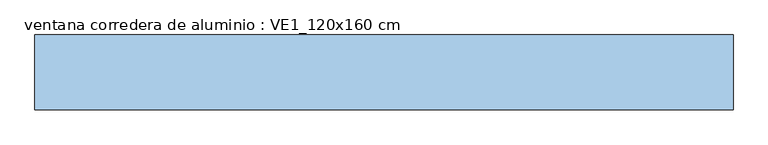
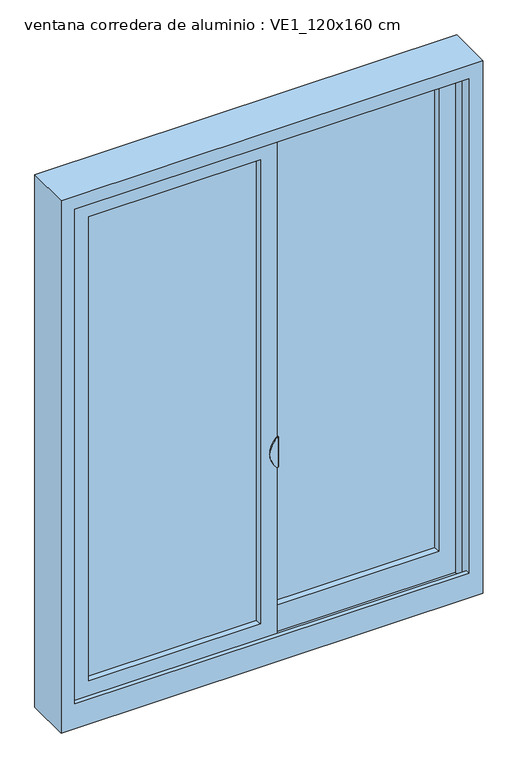
"""IFC4 building model written with IfcOpenShell, lengths in millimetres: window geometry, ventana corredera de aluminio : VE1_120x160 cm."""

import ifcopenshell
import ifcopenshell.guid

model = None  # the IFC model being written
_history = None  # IfcOwnerHistory: only IFC2X3 demands one
_inside = {}  # id of a spatial element -> (the spatial element, [elements in it])
_under = {}  # id of a project, library or spatial element -> (it, [spatial elements below it])
_declared = {}  # id of a project -> (the project, [libraries it declares])
_typed = {}  # id of a type object -> (the type object, [elements of that type])
_made_of = {}  # id of a material, layer set ... -> (it, [elements and type objects made of it])


def new_model(schema):
    """Start an empty IFC model of exactly this schema.

    Asked for "IFC4X3", IfcOpenShell would pick the latest addendum, in which some entities
    have other attributes; the version numbers below select the first issue.
    IFC2X3 requires an IfcOwnerHistory on every rooted entity: one is made here for all.
    """
    global model, _history
    if schema == "IFC4X3":
        model = ifcopenshell.file(schema_version=(4, 3, 0, 0))
    else:
        model = ifcopenshell.file(schema=schema)
    _inside.clear()
    _under.clear()
    _declared.clear()
    _typed.clear()
    _made_of.clear()
    _history = None
    if model.schema == "IFC2X3":
        org = make("IfcOrganization", Name="unknown")
        user = make(
            "IfcPersonAndOrganization",
            ThePerson=make("IfcPerson", FamilyName="unknown"),
            TheOrganization=org,
        )
        app = make(
            "IfcApplication",
            ApplicationDeveloper=org,
            Version="unknown",
            ApplicationFullName="unknown",
            ApplicationIdentifier="unknown",
        )
        _history = make(
            "IfcOwnerHistory",
            OwningUser=user,
            OwningApplication=app,
            ChangeAction="ADDED",
            CreationDate=0,
        )
    return model


def make(cls, **values):
    """One entity of the class cls with the attributes given. An attribute that is None is left unset."""
    return model.create_entity(
        cls, **{name: value for name, value in values.items() if value is not None}
    )


def rooted(cls, **values):
    """An entity with a GlobalId (a new one), such as an element, a storey or a relation."""
    return make(cls, GlobalId=ifcopenshell.guid.new(), OwnerHistory=_history, **values)


def si_unit(unit_type, name, prefix=None):
    """IfcSIUnit, for example si_unit("LENGTHUNIT", "METRE", prefix="MILLI")."""
    return make("IfcSIUnit", UnitType=unit_type, Prefix=prefix, Name=name)


def assignment(units):
    """IfcUnitAssignment: the units of a project."""
    return None if units is None else make("IfcUnitAssignment", Units=units)


def point(xyz):
    """IfcCartesianPoint."""
    return None if xyz is None else make("IfcCartesianPoint", Coordinates=xyz)


def direction(xyz):
    """IfcDirection."""
    return None if xyz is None else make("IfcDirection", DirectionRatios=xyz)


def frame(location, z_axis=None, x_axis=None):
    """IfcAxis2Placement3D, a coordinate frame: its origin and axes. An axis left out is left unset."""
    return make(
        "IfcAxis2Placement3D",
        Location=point(location),
        Axis=direction(z_axis),
        RefDirection=direction(x_axis),
    )


def frame_2d(location, x_axis=None):
    """IfcAxis2Placement2D, a coordinate frame in the plane: its origin and x axis."""
    return make(
        "IfcAxis2Placement2D", Location=point(location), RefDirection=direction(x_axis)
    )


def origin():
    """The frame at (0, 0, 0) with its axes left unset."""
    return frame((0.0, 0.0, 0.0))


def place(relative_to, where):
    """IfcLocalPlacement: puts the frame where relative to a parent placement (None: the world)."""
    return make(
        "IfcLocalPlacement", PlacementRelTo=relative_to, RelativePlacement=where
    )


def context(
    kind, dimensions, precision=None, world=None, true_north=None, identifier=None
):
    """IfcGeometricRepresentationContext, for example the 3D "Model" context."""
    return make(
        "IfcGeometricRepresentationContext",
        ContextIdentifier=identifier,
        ContextType=kind,
        CoordinateSpaceDimension=dimensions,
        Precision=precision,
        WorldCoordinateSystem=world,
        TrueNorth=true_north,
    )


def project(units=None, contexts=None):
    """IfcProject with its units and contexts."""
    return rooted(
        "IfcProject",
        Name="project",
        RepresentationContexts=contexts,
        UnitsInContext=assignment(units),
    )


def spatial(cls, under=None, at=None, **own):
    """A site, building, storey or space (cls), placed at a placement, below another one or the project."""
    s = rooted(cls, ObjectPlacement=at, **own)
    if under is not None:
        _under.setdefault(under.id(), (under, []))[1].append(s)
    return s


def polyline(points):
    """IfcPolyline through the points."""
    return make("IfcPolyline", Points=[point(p) for p in points])


def circle_curve(where, radius):
    """IfcCircle in the frame where."""
    return make("IfcCircle", Position=where, Radius=radius)


def trimmed(basis, trim1, trim2, sense, master):
    """IfcTrimmedCurve: the piece of a basis curve between two trims."""
    return make(
        "IfcTrimmedCurve",
        BasisCurve=basis,
        Trim1=trim1,
        Trim2=trim2,
        SenseAgreement=sense,
        MasterRepresentation=master,
    )


def segment(curve, same_sense, transition):
    """IfcCompositeCurveSegment."""
    return make(
        "IfcCompositeCurveSegment",
        Transition=transition,
        SameSense=same_sense,
        ParentCurve=curve,
    )


def composite_curve(segments, self_intersect=None):
    """IfcCompositeCurve: segments joined end to end."""
    return make("IfcCompositeCurve", Segments=segments, SelfIntersect=self_intersect)


def outline(outer, holes=None, kind="AREA"):
    """IfcArbitraryClosedProfileDef: a profile drawn as a closed curve; with holes, ...WithVoids."""
    if holes is None:
        return make("IfcArbitraryClosedProfileDef", ProfileType=kind, OuterCurve=outer)
    return make(
        "IfcArbitraryProfileDefWithVoids",
        ProfileType=kind,
        OuterCurve=outer,
        InnerCurves=holes,
    )


def extrude(swept, where, along, depth):
    """IfcExtrudedAreaSolid: the profile swept, set in the frame where, extruded along a direction by depth."""
    return make(
        "IfcExtrudedAreaSolid",
        SweptArea=swept,
        Position=where,
        ExtrudedDirection=direction(along),
        Depth=depth,
    )


def faces_of(points, faces, orient=None, outer=None):
    """IfcFace entities. A face is a list of loops; a loop is a list of indices into points, from 0.

    orient and outer hold one flag for each loop. By default every Orientation is true, the
    first loop of a face is its IfcFaceOuterBound and the others are IfcFaceBound.
    """
    made = []
    for i, loops in enumerate(faces):
        bounds = []
        for j, loop in enumerate(loops):
            is_outer = j == 0 if outer is None else outer[i][j]
            bounds.append(
                make(
                    "IfcFaceOuterBound" if is_outer else "IfcFaceBound",
                    Bound=make("IfcPolyLoop", Polygon=[points[k] for k in loop]),
                    Orientation=True if orient is None else orient[i][j],
                )
            )
        made.append(make("IfcFace", Bounds=bounds))
    return made


def faceted_brep(points, faces, orient=None, outer=None, voids=None):
    """IfcFacetedBrep: a solid bounded by flat faces; with voids (closed shells), ...WithVoids."""
    shared = [point(p) for p in points]
    hull = make("IfcClosedShell", CfsFaces=faces_of(shared, faces, orient, outer))
    if voids is None:
        return make("IfcFacetedBrep", Outer=hull)
    return make(
        "IfcFacetedBrepWithVoids",
        Outer=hull,
        Voids=[
            make(cls, CfsFaces=faces_of(shared, fs, o, b)) for cls, fs, o, b in voids
        ],
    )


def shape(context_of_items, identifier, shape_type, items):
    """IfcShapeRepresentation: the items that make up one representation, for example the "Body"."""
    return make(
        "IfcShapeRepresentation",
        ContextOfItems=context_of_items,
        RepresentationIdentifier=identifier,
        RepresentationType=shape_type,
        Items=items,
    )


def source(mapping_origin, context_of_items, identifier, shape_type, items):
    """IfcRepresentationMap: a shape defined once, which mapped items show again and again."""
    return make(
        "IfcRepresentationMap",
        MappingOrigin=mapping_origin,
        MappedRepresentation=shape(context_of_items, identifier, shape_type, items),
    )


def transform(
    local_origin,
    x_axis=None,
    y_axis=None,
    z_axis=None,
    scale=None,
    scale2=None,
    scale3=None,
    uniform=True,
):
    """IfcCartesianTransformationOperator3D, or its non-uniform kind. x_axis, y_axis, z_axis: its Axis1, 2, 3."""
    if uniform:
        return make(
            "IfcCartesianTransformationOperator3D",
            Axis1=direction(x_axis),
            Axis2=direction(y_axis),
            LocalOrigin=point(local_origin),
            Scale=scale,
            Axis3=direction(z_axis),
        )
    return make(
        "IfcCartesianTransformationOperator3DnonUniform",
        Axis1=direction(x_axis),
        Axis2=direction(y_axis),
        LocalOrigin=point(local_origin),
        Scale=scale,
        Axis3=direction(z_axis),
        Scale2=scale2,
        Scale3=scale3,
    )


def mapped(mapping_source, mapping_target):
    """IfcMappedItem: shows the shape of a source again, moved by a transform."""
    return make(
        "IfcMappedItem", MappingSource=mapping_source, MappingTarget=mapping_target
    )


def made_of(thing, what):
    """Note that an element or type object is made of a material, layer set ...; save() writes the relation."""
    if what is not None:
        _made_of.setdefault(what.id(), (what, []))[1].append(thing)
    return thing


def element(
    cls,
    number,
    at=None,
    inside=None,
    cuts=None,
    type_object=None,
    material=None,
    context=None,
    identifier="Body",
    shape_type=None,
    held_by="IfcProductDefinitionShape",
    body=None,
    shapes=None,
    **own,
):
    """One element of the class cls, such as IfcWall. Its Tag is "e" and its number.

    at: its placement. inside: the storey or other place that contains it. cuts: it is an
    opening in that element (IfcRelVoidsElement). A single representation is given by context,
    identifier, shape_type and body (its items); several are given by shapes. held_by: the class
    of the entity that holds the representations. save() writes the other relations.
    """
    e = rooted(cls, Tag="e%d" % number, ObjectPlacement=at, **own)
    if body is not None:
        shapes = [shape(context, identifier, shape_type, body)]
    if shapes is not None:
        e.Representation = make(held_by, Representations=shapes)
    if inside is not None:
        _inside.setdefault(inside.id(), (inside, []))[1].append(e)
    if cuts is not None:
        rooted(
            "IfcRelVoidsElement", RelatingBuildingElement=cuts, RelatedOpeningElement=e
        )
    if type_object is not None:
        _typed.setdefault(type_object.id(), (type_object, []))[1].append(e)
    return made_of(e, material)


def aggregate(whole, parts):
    """IfcRelAggregates: a whole, such as a stair, and the parts it consists of."""
    return rooted("IfcRelAggregates", RelatingObject=whole, RelatedObjects=parts)


def save(model, path):
    """Write the relations noted so far, then the file.

    IfcRelAggregates (storeys below a building ...), IfcRelContainedInSpatialStructure (elements
    in a storey), IfcRelDefinesByType, IfcRelAssociatesMaterial and IfcRelDeclares: one each for
    every whole, place, type object, material and project.
    """
    for whole, parts in _under.values():
        aggregate(whole, parts)
    for where, things in _inside.values():
        rooted(
            "IfcRelContainedInSpatialStructure",
            RelatedElements=things,
            RelatingStructure=where,
        )
    for kind, things in _typed.values():
        rooted("IfcRelDefinesByType", RelatedObjects=things, RelatingType=kind)
    for what, things in _made_of.values():
        rooted("IfcRelAssociatesMaterial", RelatedObjects=things, RelatingMaterial=what)
    for by, libraries in _declared.values():
        rooted("IfcRelDeclares", RelatingContext=by, RelatedDefinitions=libraries)
    model.write(path)


def plane_surface(at):
    """IfcPlane: the flat surface through the origin of the frame at, square to its z axis."""
    return make("IfcPlane", Position=at)


def cylinder_surface(at, radius):
    """IfcCylindricalSurface: all points at the distance radius from the z axis of the frame at."""
    return make("IfcCylindricalSurface", Position=at, Radius=radius)


def advanced_brep(points, edges, surfaces, faces):
    """IfcAdvancedBrep: a solid bounded by faces that lie on surfaces and meet in shared edges.

    An edge is (start, end): straight between two places in points (the first is 0);
    or (start, end, curve); or (start, end, curve, False) where it runs against its curve.
    A face is (place in surfaces, loops), or (place, loops, False) where it looks against
    its surface's normal. A loop lists edges by number (the first is 1), with a minus sign
    where the edge is run from its end to its start. The first loop is the outer one.
    """
    corners = [point(p) for p in points]
    vertices = [make("IfcVertexPoint", VertexGeometry=c) for c in corners]
    made = []
    for start, end, *more in edges:
        made.append(
            make(
                "IfcEdgeCurve",
                EdgeStart=vertices[start],
                EdgeEnd=vertices[end],
                EdgeGeometry=more[0] if more else make("IfcPolyline", Points=[corners[start], corners[end]]),
                SameSense=more[1] if len(more) > 1 else True,
            )
        )
    hull = []
    for where, loops, *sense in faces:
        bounds = []
        for j, loop in enumerate(loops):
            ring = [make("IfcOrientedEdge", EdgeElement=made[abs(k) - 1], Orientation=k > 0) for k in loop]
            bounds.append(
                make(
                    "IfcFaceOuterBound" if j == 0 else "IfcFaceBound",
                    Bound=make("IfcEdgeLoop", EdgeList=ring),
                    Orientation=True,
                )
            )
        hull.append(make("IfcAdvancedFace", Bounds=bounds, FaceSurface=surfaces[where], SameSense=sense[0] if sense else True))
    return make("IfcAdvancedBrep", Outer=make("IfcClosedShell", CfsFaces=hull))


def ventana_corredera_de_aluminio_ve1_120x160_cm_1c3f1b5d(model_context):
    return source(origin(), model_context, "Body", "SolidModel", [
        extrude(outline(composite_curve([segment(polyline([(47.4, 964.0989222), (47.4, 986.3239222)]), True, "CONTINUOUS"), segment(trimmed(circle_curve(frame_2d((58.5125, 986.3239222)), 11.1125), [point((47.4, 986.3239222))], [point((69.625, 986.3239222))], False, "CARTESIAN"), True, "CONTINUOUS"), segment(polyline([(69.625, 986.3239222), (69.625, 964.0989222), (47.4, 964.0989222)]), True, "CONTINUOUS")], self_intersect=False)), frame((23.4979078, 0.0, 0.0), z_axis=(1.0, 0.0, 0.0), x_axis=(0.0, 1.0, 0.0)), (0.0, 0.0, 1.0), 1.5875),
        extrude(outline(composite_curve([segment(polyline([(69.625, 2474.5884078), (69.625, 2452.3634078)]), True, "CONTINUOUS"), segment(trimmed(circle_curve(frame_2d((58.5125, 2452.3634078)), 11.1125), [point((69.625, 2452.3634078))], [point((47.4, 2452.3634078))], False, "CARTESIAN"), True, "CONTINUOUS"), segment(polyline([(47.4, 2452.3634078), (47.4, 2474.5884078), (69.625, 2474.5884078)]), True, "CONTINUOUS")], self_intersect=False)), frame((23.4979078, 0.0, 0.0), z_axis=(1.0, 0.0, 0.0), x_axis=(0.0, 1.0, 0.0)), (0.0, 0.0, 1.0), 1.5875),
        advanced_brep(
        [(26.6729078, 76.2825262, 1494.7265), (26.6729078, 76.2825262, 1570.9265), (26.6729078, 69.9325262, 1577.2765), (26.6729078, 36.2674819, 1577.2765), (26.6729078, 35.0075262, 1577.2765), (26.6729078, 35.0075262, 1488.3765), (26.6729078, 36.2674819, 1488.3765), (26.6729078, 69.9325262, 1488.3765), (23.4979078, 76.2825262, 1494.7265), (23.4979078, 69.9325262, 1488.3765), (23.4979078, 35.0075262, 1488.3765), (23.4979078, 35.0075262, 1577.2765), (23.4979078, 69.9325262, 1577.2765), (23.4979078, 76.2825262, 1570.9265), (22.1214736, 35.0075262, 1577.2765), (22.1214736, 31.8325262, 1577.2765), (22.4630372, 31.8325262, 1577.2765), (23.4979078, 31.8325262, 1577.2765), (19.87994, 31.8325262, 1489.3029111), (22.1214736, 31.8325262, 1488.3765), (22.4630372, 31.8325262, 1488.3765), (23.4979078, 31.8325262, 1488.3765), (19.87994, 31.8325262, 1576.3500889), (22.1214736, 35.0075262, 1488.3765), (19.87994, 35.0075262, 1489.3029111), (19.87994, 35.0075262, 1576.3500889)],
        [
            (0, 1),
            (1, 2, circle_curve(frame((26.6729078, 69.9325262, 1570.9265), z_axis=(1.0, 0.0, 0.0), x_axis=(0.0, 0.0, -1.0)), 6.35)),
            (2, 3),
            (3, 4),
            (4, 5),
            (5, 6),
            (6, 7),
            (7, 0, circle_curve(frame((26.6729078, 69.9325262, 1494.7265), z_axis=(1.0, 0.0, 0.0), x_axis=(0.0, 0.0, -1.0)), 6.35)),
            (8, 9, circle_curve(frame((23.4979078, 69.9325262, 1494.7265), z_axis=(-1.0, 0.0, 0.0), x_axis=(0.0, 0.0, -1.0)), 6.35)),
            (9, 10),
            (10, 11),
            (11, 12),
            (12, 13, circle_curve(frame((23.4979078, 69.9325262, 1570.9265), z_axis=(-1.0, 0.0, 0.0), x_axis=(0.0, 0.0, -1.0)), 6.35)),
            (13, 8),
            (0, 8),
            (13, 1),
            (12, 2),
            (11, 14),
            (14, 15),
            (15, 16),
            (16, 17),
            (17, 4, circle_curve(frame((23.4979078, 35.0075262, 1577.2765), z_axis=(0.0, 0.0, 1.0), x_axis=(0.0, 1.0, 0.0)), 3.175)),
            (18, 19, circle_curve(frame((22.1214736, 31.8325262, 1491.5515), z_axis=(0.0, -1.0, 0.0), x_axis=(0.0, 0.0, -1.0)), 3.175)),
            (19, 20),
            (20, 21),
            (21, 17),
            (15, 22, circle_curve(frame((22.1214736, 31.8325262, 1574.1015), z_axis=(0.0, -1.0, 0.0), x_axis=(0.0, 0.0, -1.0)), 3.175)),
            (22, 18, circle_curve(frame((63.2669659, 31.8325262, 1532.8265), z_axis=(0.0, -1.0, 0.0), x_axis=(0.0, 0.0, -1.0)), 61.455161)),
            (9, 7),
            (5, 21, circle_curve(frame((23.4979078, 35.0075262, 1488.3765), z_axis=(0.0, 0.0, -1.0), x_axis=(0.0, 1.0, 0.0)), 3.175)),
            (19, 23),
            (23, 10),
            (24, 25, circle_curve(frame((63.2669659, 35.0075262, 1532.8265), z_axis=(0.0, 1.0, 0.0), x_axis=(0.0, 0.0, -1.0)), 61.455161)),
            (25, 14, circle_curve(frame((22.1214736, 35.0075262, 1574.1015), z_axis=(0.0, 1.0, 0.0), x_axis=(0.0, 0.0, -1.0)), 3.175)),
            (23, 24, circle_curve(frame((22.1214736, 35.0075262, 1491.5515), z_axis=(0.0, 1.0, 0.0), x_axis=(0.0, 0.0, -1.0)), 3.175)),
            (18, 24),
            (25, 22),
        ],
        [
            plane_surface(frame((26.6729078, 76.2825262, 1570.9265), z_axis=(1.0, 0.0, 0.0), x_axis=(0.0, 0.0, 1.0))),
            plane_surface(frame((23.4979078, 76.2825262, 1570.9265), z_axis=(-1.0, 0.0, 0.0), x_axis=(0.0, 0.0, -1.0))),
            plane_surface(frame((26.6729078, 76.2825262, 1494.7265), z_axis=(0.0, 1.0, 0.0), x_axis=(-1.0, 0.0, 0.0))),
            cylinder_surface(frame((23.4979078, 69.9325262, 1570.9265), z_axis=(1.0, 0.0, 0.0), x_axis=(0.0, 0.0, -1.0)), 6.35),
            plane_surface(frame((26.6729078, 69.9325262, 1577.2765), z_axis=(0.0, 0.0, 1.0), x_axis=(-1.0, 0.0, 0.0))),
            plane_surface(frame((26.6729078, 31.8325262, 1577.2765), z_axis=(0.0, -1.0, 0.0), x_axis=(-1.0, 0.0, 0.0))),
            plane_surface(frame((26.6729078, 31.8325262, 1488.3765), z_axis=(0.0, 0.0, -1.0), x_axis=(-1.0, 0.0, 0.0))),
            cylinder_surface(frame((23.4979078, 69.9325262, 1494.7265), z_axis=(1.0, 0.0, 0.0), x_axis=(0.0, 0.0, -1.0)), 6.35),
            plane_surface(frame((22.1214736, 35.0075262, 1488.3765), z_axis=(0.0, 1.0, 0.0), x_axis=(-1.0, 0.0, 0.0))),
            cylinder_surface(frame((22.1214736, 35.0075262, 1491.5515), z_axis=(0.0, -1.0, 0.0), x_axis=(0.0, 0.0, -1.0)), 3.175),
            cylinder_surface(frame((22.1214736, 35.0075262, 1574.1015), z_axis=(0.0, -1.0, 0.0), x_axis=(0.0, 0.0, -1.0)), 3.175),
            cylinder_surface(frame((63.2669659, 35.0075262, 1532.8265), z_axis=(0.0, -1.0, 0.0), x_axis=(0.0, 0.0, -1.0)), 61.455161),
            cylinder_surface(frame((23.4979078, 35.0075262, 1577.2765), z_axis=(0.0, 0.0, 1.0), x_axis=(0.0, 1.0, 0.0)), 3.175),
        ],
        [
            (0, [[1, 2, 3, 4, 5, 6, 7, 8]]),
            (1, [[9, 10, 11, 12, 13, 14]]),
            (2, [[-1, 15, -14, 16]]),
            (3, [[-2, -16, -13, 17]]),
            (4, [[-17, -12, 18, 19, 20, 21, 22, -4, -3]]),
            (5, [[23, 24, 25, 26, -21, -20, 27, 28]]),
            (6, [[29, -7, -6, 30, -25, -24, 31, 32, -10]]),
            (7, [[-8, -29, -9, -15]]),
            (8, [[33, 34, -18, -11, -32, 35]]),
            (9, [[-23, 36, -35, -31]]),
            (10, [[-27, -19, -34, 37]]),
            (11, [[-28, -37, -33, -36]]),
            (12, [[-5, -22, -26, -30]]),
        ],
    ),
        extrude(outline(polyline([(-519.0375, 45.8125), (-519.0375, 48.9875), (-17.4625, 48.9875), (-17.4625, 45.8125), (-519.0375, 45.8125)])), frame((0.0, 0.0, 1025.62025), z_axis=(0.0, 0.0, 1.0), x_axis=(1.0, 0.0, 0.0)), (0.0, 0.0, 1.0), 1407.9125),
        extrude(outline(polyline([(-519.0375, 68.0375), (-519.0375, 71.2125), (-17.4625, 71.2125), (-17.4625, 68.0375), (-519.0375, 68.0375)])), frame((0.0, 0.0, 1025.62025), z_axis=(0.0, 0.0, 1.0), x_axis=(1.0, 0.0, 0.0)), (0.0, 0.0, 1.0), 1407.9125),
        extrude(outline(polyline([(17.4625, 96.6125), (17.4625, 99.7875), (519.0375, 99.7875), (519.0375, 96.6125), (17.4625, 96.6125)])), frame((0.0, 0.0, 1025.62025), z_axis=(0.0, 0.0, 1.0), x_axis=(1.0, 0.0, 0.0)), (0.0, 0.0, 1.0), 1407.9125),
        extrude(outline(polyline([(17.4625, 118.8375), (17.4625, 122.0125), (519.0375, 122.0125), (519.0375, 118.8375), (17.4625, 118.8375)])), frame((0.0, 0.0, 1025.62025), z_axis=(0.0, 0.0, 1.0), x_axis=(1.0, 0.0, 0.0)), (0.0, 0.0, 1.0), 1407.9125),
        faceted_brep([(-17.693977, 71.4415285, 1025.756477), (-17.693977, 45.5834715, 1025.756477), (-17.693977, 45.5834715, 2433.396523), (-17.693977, 71.4415285, 2433.396523), (-22.1267308, 79.4575262, 1030.1892308), (-30.1427285, 71.4415285, 1038.2052285), (-30.1427285, 71.4415285, 2420.9477715), (-22.1267308, 79.4575262, 2428.9637692), (23.4979078, 79.4575262, 2474.5884078), (23.4979078, 35.0075262, 2474.5884078), (23.4979078, 35.0075262, 964.0989222), (23.4979078, 79.4575262, 953.0162925), (-30.1625, 45.5834715, 1038.225), (-24.0564716, 35.0075262, 1032.1189716), (-24.0564716, 35.0075262, 2427.0340284), (-30.1625, 45.5834715, 2420.928), (-518.806023, 45.5834715, 2433.396523), (-518.806023, 71.4415285, 2433.396523), (-506.3572715, 71.4415285, 2420.9477715), (-514.3732692, 79.4575262, 2428.9637692), (-559.9979078, 79.4575262, 2474.5884078), (-559.9979078, 35.0075262, 2474.5884078), (-512.4435284, 35.0075262, 2427.0340284), (-506.3375, 45.5834715, 2420.928), (-518.806023, 45.5834715, 1025.756477), (-518.806023, 71.4415285, 1025.756477), (-506.3572715, 71.4415285, 1038.2052285), (-514.3732692, 79.4575262, 1030.1892308), (-559.9979078, 79.4575262, 953.0162925), (-559.9979078, 35.0075262, 964.0989222), (-512.4435284, 35.0075262, 1032.1189716), (-506.3375, 45.5834715, 1038.225)], [[[0, 1, 2, 3]], [[4, 5, 6, 7]], [[8, 9, 10, 11]], [[12, 13, 14, 15]], [[3, 2, 16, 17]], [[7, 6, 18, 19]], [[9, 8, 20, 21]], [[15, 14, 22, 23]], [[17, 16, 24, 25]], [[19, 18, 26, 27]], [[21, 20, 28, 29]], [[23, 22, 30, 31]], [[1, 0, 25, 24]], [[0, 3, 17, 25], [6, 5, 26, 18]], [[5, 4, 27, 26]], [[8, 11, 28, 20], [4, 7, 19, 27]], [[10, 9, 21, 29], [14, 13, 30, 22]], [[13, 12, 31, 30]], [[2, 1, 24, 16], [12, 15, 23, 31]], [[29, 28, 11, 10]]]),
        faceted_brep([(17.693977, 122.2415285, 2433.396523), (17.693977, 96.3834715, 2433.396523), (17.693977, 96.3834715, 1025.756477), (17.693977, 122.2415285, 1025.756477), (22.1267308, 130.2575262, 2428.9637692), (30.1427285, 122.2415285, 2420.9477715), (30.1427285, 122.2415285, 1038.2052285), (22.1267308, 130.2575262, 1030.1892308), (-23.4979078, 85.8075262, 2474.5884078), (-23.4979078, 130.2575262, 2474.5884078), (-23.4979078, 130.2575262, 940.35043), (-23.4979078, 85.8075262, 951.4330597), (30.1625, 96.3834715, 2420.928), (24.0564716, 85.8075262, 2427.0340284), (24.0564716, 85.8075262, 1032.1189716), (30.1625, 96.3834715, 1038.225), (518.806023, 96.3834715, 1025.756477), (518.806023, 122.2415285, 1025.756477), (506.3572715, 122.2415285, 1038.2052285), (514.3732692, 130.2575262, 1030.1892308), (512.4435284, 85.8075262, 1032.1189716), (506.3375, 96.3834715, 1038.225), (518.806023, 96.3834715, 2433.396523), (518.806023, 122.2415285, 2433.396523), (506.3572715, 122.2415285, 2420.9477715), (514.3732692, 130.2575262, 2428.9637692), (559.9979078, 130.2575262, 2474.5884078), (559.9979078, 85.8075262, 2474.5884078), (559.9979078, 85.8075262, 951.4330597), (559.9979078, 130.2575262, 940.35043), (512.4435284, 85.8075262, 2427.0340284), (506.3375, 96.3834715, 2420.928)], [[[0, 1, 2, 3]], [[4, 5, 6, 7]], [[8, 9, 10, 11]], [[12, 13, 14, 15]], [[3, 2, 16, 17]], [[7, 6, 18, 19]], [[15, 14, 20, 21]], [[17, 16, 22, 23]], [[19, 18, 24, 25]], [[26, 27, 28, 29]], [[21, 20, 30, 31]], [[1, 0, 23, 22]], [[0, 3, 17, 23], [6, 5, 24, 18]], [[5, 4, 25, 24]], [[10, 9, 26, 29], [4, 7, 19, 25]], [[9, 8, 27, 26]], [[8, 11, 28, 27], [14, 13, 30, 20]], [[13, 12, 31, 30]], [[2, 1, 22, 16], [12, 15, 21, 31]], [[11, 10, 29, 28]]]),
        faceted_brep([(600.0, 149.0, 914.4), (600.0, 20.3998, 914.4), (-600.0, 20.3998, 914.4), (-600.0, 149.0, 914.4), (560.5714091, 54.53105, 2474.9714091), (561.3651591, 55.3248, 2475.7651591), (561.3651591, 55.3248, 957.3971578), (560.5714091, 54.53105, 957.5950619), (560.5714091, 56.11855, 2474.9714091), (560.5714091, 56.11855, 957.1992537), (560.5714091, 131.2672976, 2474.9714091), (560.5714091, 131.2672976, 938.4625665), (-560.5714091, 131.2672976, 2474.9714091), (-560.5714091, 131.2672976, 938.4625665), (-544.4265236, 131.2672976, 938.4625665), (-544.4265236, 131.2672976, 2458.8265236), (544.4265236, 131.2672976, 2458.8265236), (544.4265236, 131.2672976, 938.4625665), (544.4265236, 134.4702115, 2458.8265236), (544.4265236, 134.4702115, 937.6639904), (561.8890236, 143.9952115, 2476.2890236), (-561.8890236, 143.9952115, 2476.2890236), (-561.8890236, 143.9952115, 935.2891412), (-574.6666015, 143.9952115, 935.2891412), (-574.6666015, 143.9952115, 2489.0666015), (574.6666015, 143.9952115, 2489.0666015), (574.6666015, 143.9952115, 935.2891412), (561.8890236, 143.9952115, 935.2891412), (576.0076305, 149.0, 2490.4076305), (576.0076305, 149.0, 934.0413073), (-600.0, 149.0, 2514.4), (600.0, 149.0, 2514.4), (-576.0076305, 149.0, 2490.4076305), (-576.0076305, 149.0, 934.0413073), (600.0, 20.3998, 2514.4), (-600.0, 20.3998, 2514.4), (560.5714091, 20.3998, 2474.9714091), (560.5714091, 20.3998, 988.684272), (-560.5714091, 20.3998, 988.684272), (-560.5714091, 20.3998, 2474.9714091), (560.5714091, 33.5595992, 962.8238318), (560.5714091, 33.5595992, 988.684272), (-560.5714091, 54.53105, 2474.9714091), (-561.3651591, 55.3248, 2475.7651591), (-560.5714091, 56.11855, 2474.9714091), (-544.4265236, 134.4702115, 2458.8265236), (-560.5714091, 54.53105, 957.5950619), (-561.3651591, 55.3248, 957.3971578), (-560.5714091, 56.11855, 957.1992537), (-544.4265236, 134.4702115, 937.6639904), (-560.5714091, 33.5595992, 988.684272), (-560.5714091, 33.5595992, 962.8238318), (-561.8890236, 134.4702115, 937.6639904), (561.8890236, 134.4702115, 937.6639904), (-561.8890236, 134.4702115, 2476.2890236), (561.8890236, 134.4702115, 2476.2890236)], [[[0, 1, 2, 3]], [[4, 5, 6, 7]], [[5, 8, 9, 6]], [[8, 10, 11, 9]], [[10, 12, 13, 14, 15, 16, 17, 11]], [[16, 18, 19, 17]], [[20, 21, 22, 23, 24, 25, 26, 27]], [[25, 28, 29, 26]], [[0, 3, 30, 31], [32, 33, 29, 28]], [[34, 1, 0, 31]], [[2, 1, 34, 35], [36, 37, 38, 39]], [[36, 4, 7, 40, 41, 37]], [[5, 4, 42, 43]], [[8, 5, 43, 44]], [[10, 8, 44, 12]], [[16, 15, 45, 18]], [[25, 24, 32, 28]], [[31, 30, 35, 34]], [[36, 39, 42, 4]], [[43, 42, 46, 47]], [[44, 43, 47, 48]], [[12, 44, 48, 13]], [[45, 15, 14, 49]], [[32, 24, 23, 33]], [[30, 3, 2, 35]], [[42, 39, 38, 50, 51, 46]], [[40, 51, 50, 41]], [[38, 37, 41, 50]], [[29, 33, 23, 22, 52, 49, 14, 13, 48, 47, 46, 51, 40, 7, 6, 9, 11, 17, 19, 53, 27, 26]], [[18, 45, 49, 52, 54, 55, 53, 19]], [[55, 20, 27, 53]], [[21, 20, 55, 54]], [[21, 54, 52, 22]]]),
    ])


if __name__ == "__main__":
    model = new_model("IFC4")
    model_context = context("Model", 3, world=origin())
    ifc_project = project(units=[si_unit("LENGTHUNIT", "METRE", prefix="MILLI")], contexts=[model_context])
    site = spatial("IfcSite", under=ifc_project)
    building = spatial("IfcBuilding", under=site)
    placement = place(None, origin())
    ventana_corredera_de_aluminio_ve1_120x160_cm_shape = ventana_corredera_de_aluminio_ve1_120x160_cm_1c3f1b5d(model_context)
    element("IfcWindow", 1, ObjectType="ventana corredera de aluminio : VE1_120x160 cm", at=placement, inside=building, context=model_context, shape_type="MappedRepresentation", body=[
        mapped(ventana_corredera_de_aluminio_ve1_120x160_cm_shape, transform((0.0, 0.0, 0.0), x_axis=(1.0, 0.0, 0.0), y_axis=(0.0, 1.0, 0.0), z_axis=(0.0, 0.0, 1.0))),
    ])
    save(model, "model.ifc")
